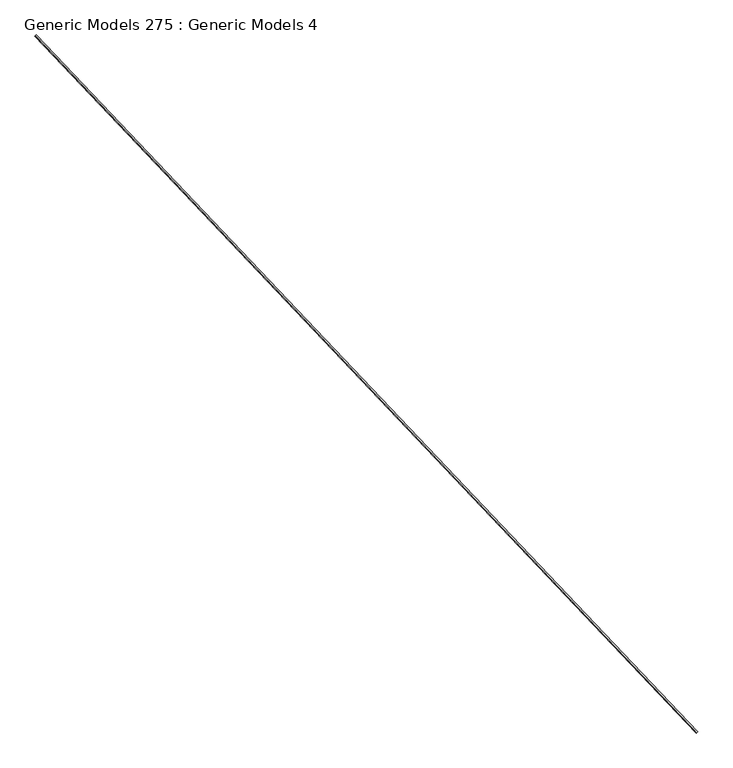
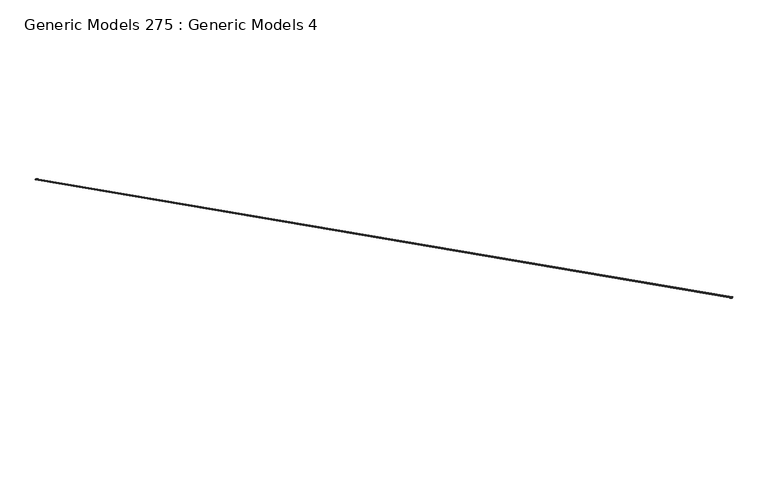
"""IFC4 building model written with IfcOpenShell, lengths in millimetres: proxy geometry, Generic Models 275 : Generic Models 4."""

from ifc_helpers import new_model, si_unit, point, frame, origin, place, context, project, spatial, polyline, circle_curve, ellipse_curve, trimmed, source, transform, mapped, element, save
from ifc_brep_helpers import plane_surface, cylinder_surface, revolved_surface, extruded_surface, advanced_brep


def generic_models_275_generic_models_4_23711f93(model_context):
    return source(origin(), model_context, "Body", "AdvancedBrep", [
        advanced_brep(
        [(113473.0516559, 53737.2485796, 16619.855), (113473.0516559, 53737.2485796, 16610.33), (113476.5062513, 53740.5268683, 16610.33), (113477.541824, 53741.5095901, 16612.2359878), (113477.541824, 53741.5095901, 16617.9490122), (113476.5062513, 53740.5268683, 16619.855), (107392.9189419, 60144.3715926, 16619.855), (107396.3735374, 60147.6498813, 16619.855), (107397.4091101, 60148.6326031, 16617.9490122), (107397.4091101, 60148.6326031, 16612.2359878), (107396.3735374, 60147.6498813, 16610.33), (107392.9189419, 60144.3715926, 16610.33)],
        [
            (0, 1, circle_curve(frame((113469.8802388, 53734.2390172, 16615.0925), z_axis=(-0.6883545756936593, 0.7253743710123776, 0.0), x_axis=(0.0, 0.0, 1.0)), 6.4650413)),
            (1, 2),
            (2, 3, circle_curve(frame((113473.3348342, 53737.5173059, 16615.0925), z_axis=(0.6883545756936593, -0.7253743710123776, 0.0), x_axis=(0.0, 0.0, 1.0)), 6.4650413)),
            (3, 4, ellipse_curve(frame((113481.6881445, 53745.4443013, 16615.0925), z_axis=(0.6883545756936593, -0.7253743710123776, 0.0), x_axis=(-0.7253743710123776, -0.6883545756936593, 0.0)), 7.14375, 4.7625)),
            (4, 5, circle_curve(frame((113473.3348342, 53737.5173059, 16615.0925), z_axis=(0.6883545756936593, -0.7253743710123776, 0.0), x_axis=(0.0, 0.0, 1.0)), 6.4650413)),
            (5, 0),
            (6, 7),
            (7, 8, circle_curve(frame((107393.2021203, 60144.6403189, 16615.0925), z_axis=(-0.6883545756936593, 0.7253743710123776, 0.0), x_axis=(0.0, 0.0, 1.0)), 6.4650413)),
            (8, 9, ellipse_curve(frame((107401.5554305, 60152.5673143, 16615.0925), z_axis=(-0.6883545756936593, 0.7253743710123776, 0.0), x_axis=(-0.7253743710123776, -0.6883545756936593, 0.0)), 7.14375, 4.7625)),
            (9, 10, circle_curve(frame((107393.2021203, 60144.6403189, 16615.0925), z_axis=(-0.6883545756936593, 0.7253743710123776, 0.0), x_axis=(0.0, 0.0, 1.0)), 6.4650413)),
            (10, 11),
            (11, 6, circle_curve(frame((107389.7475249, 60141.3620302, 16615.0925), z_axis=(0.6883545756936593, -0.7253743710123776, 0.0), x_axis=(0.0, 0.0, 1.0)), 6.4650413)),
            (0, 6),
            (11, 1),
            (5, 7),
            (3, 9),
            (8, 4),
            (10, 2),
        ],
        [
            plane_surface(frame((113473.0516559, 53737.2485796, 16610.33), z_axis=(0.6883545756936593, -0.7253743710123776, 0.0), x_axis=(0.0, 0.0, 1.0))),
            plane_surface(frame((107392.9189419, 60144.3715926, 16610.33), z_axis=(-0.6883545756936593, 0.7253743710123776, 0.0), x_axis=(0.0, 0.0, 1.0))),
            revolved_surface(polyline([(107389.74752486973, 60141.362030211996, 16621.5575413), (113469.88023882706, 53734.2390171715, 16621.5575413)]), (113469.8802388, 53734.2390172, 16615.0925), (-0.6883545756936593, 0.7253743710123776, 0.0)),
            plane_surface(frame((113476.5062513, 53740.5268683, 16619.855), z_axis=(0.0, 0.0, 1.0), x_axis=(-0.6883545756936594, 0.7253743710123775, 0.0))),
            extruded_surface(trimmed(ellipse_curve(frame((107401.5554305, 60152.5673143, 16615.0925), z_axis=(0.6883545756936593, -0.7253743710123776, 0.0), x_axis=(-0.7253743710123776, -0.6883545756936593, 0.0)), 7.14375, 4.7625), [point((107397.4091101, 60148.6326031, 16612.2359878))], [point((107397.4091101, 60148.6326031, 16617.9490122))], True, "CARTESIAN"), (6080.132714000007, -6407.123013000004, 0.0), 8832.850000060418),
            plane_surface(frame((113473.0516559, 53737.2485796, 16610.33), z_axis=(0.0, 0.0, -1.0), x_axis=(-0.6883545756936594, 0.7253743710123775, 0.0))),
            cylinder_surface(frame((113473.3348342, 53737.5173059, 16615.0925), z_axis=(0.6883545756936593, -0.7253743710123776, 0.0), x_axis=(0.0, 0.0, 1.0)), 6.4650413),
        ],
        [
            (0, [[1, 2, 3, 4, 5, 6]]),
            (1, [[7, 8, 9, 10, 11, 12]]),
            (2, [[-1, 13, -12, 14]]),
            (3, [[-6, 15, -7, -13]]),
            (4, [[-4, 16, -9, 17]]),
            (5, [[-2, -14, -11, 18]]),
            (6, [[-3, -18, -10, -16]]),
            (6, [[-5, -17, -8, -15]]),
        ],
    ),
    ])


if __name__ == "__main__":
    model = new_model("IFC4")
    model_context = context("Model", 3, world=origin())
    ifc_project = project(units=[si_unit("LENGTHUNIT", "METRE", prefix="MILLI")], contexts=[model_context])
    site = spatial("IfcSite", under=ifc_project)
    building = spatial("IfcBuilding", under=site)
    placement = place(None, origin())
    generic_models_275_generic_models_4_shape = generic_models_275_generic_models_4_23711f93(model_context)
    element("IfcBuildingElementProxy", 1, Name="Generic Models 275 : Generic Models 4", ObjectType="Generic Models 275 : Generic Models 4", at=placement, inside=building, context=model_context, shape_type="MappedRepresentation", body=[
        mapped(generic_models_275_generic_models_4_shape, transform((0.0, 0.0, 0.0), x_axis=(1.0, 0.0, 0.0), y_axis=(0.0, 1.0, 0.0), z_axis=(0.0, 0.0, 1.0))),
    ])
    save(model, "model.ifc")
